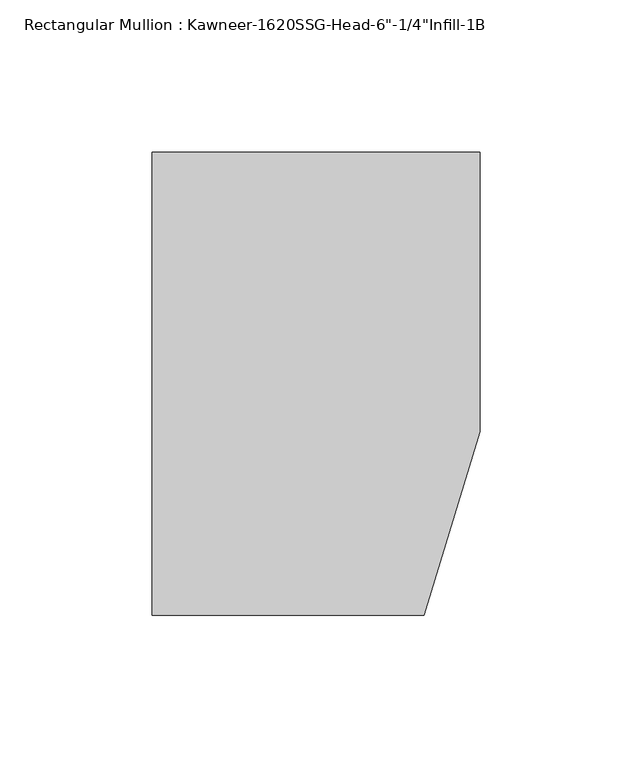
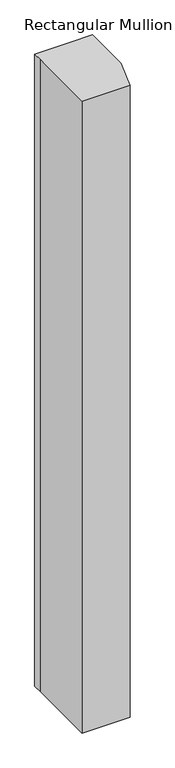
"""IFC4 building model written with IfcOpenShell, lengths in millimetres: member geometry."""

from ifc_helpers import new_model, si_unit, frame, origin, place, context, project, spatial, polyline, outline, extrude, source, transform, mapped, element, save


def member_6c86d8e3(model_context):
    return source(origin(), model_context, "Body", "SweptSolid", [
        extrude(outline(polyline([(-107.95, 10.3845466), (-107.95, 28.575), (-44.1519366, 28.575), (0.0, 28.575), (0.0, -63.5), (-18.3538271, -123.825), (-107.95, -123.825), (-107.95, 10.3845466)])), frame((0.0, 0.0, -1244.1304728), z_axis=(0.0, 0.0, 1.0), x_axis=(1.0, 0.0, 0.0)), (0.0, 0.0, 1.0), 1244.1304728),
    ])


if __name__ == "__main__":
    model = new_model("IFC4")
    model_context = context("Model", 3, world=origin())
    ifc_project = project(units=[si_unit("LENGTHUNIT", "METRE", prefix="MILLI")], contexts=[model_context])
    site = spatial("IfcSite", under=ifc_project)
    building = spatial("IfcBuilding", under=site)
    placement = place(None, origin())
    member_shape = member_6c86d8e3(model_context)
    element("IfcMember", 1, ObjectType="Rectangular Mullion : Kawneer-1620SSG-Head-6\"-1/4\"Infill-1B", at=placement, inside=building, context=model_context, shape_type="MappedRepresentation", body=[
        mapped(member_shape, transform((0.0, 0.0, 0.0), x_axis=(1.0, 0.0, 0.0), y_axis=(0.0, 1.0, 0.0), z_axis=(0.0, 0.0, 1.0))),
    ])
    save(model, "model.ifc")
